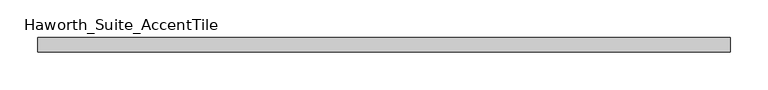
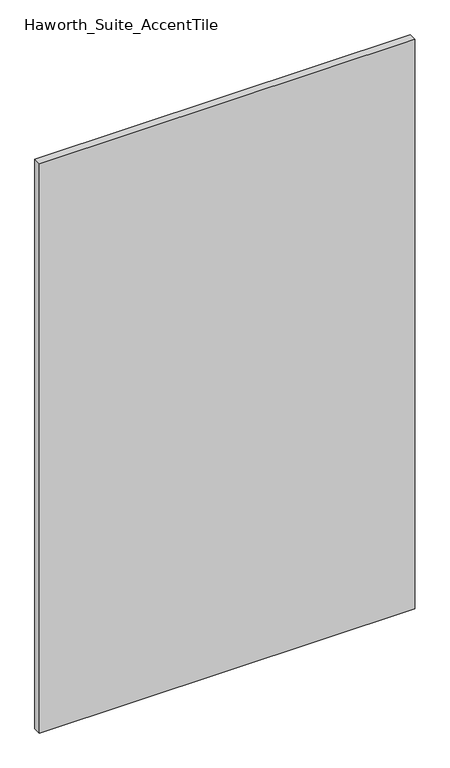
"""IFC4 building model written with IfcOpenShell, lengths in millimetres: furniture geometry, Haworth_Suite_AccentTile."""

import ifcopenshell
import ifcopenshell.guid

model = None  # the IFC model being written
_history = None  # IfcOwnerHistory: only IFC2X3 demands one
_inside = {}  # id of a spatial element -> (the spatial element, [elements in it])
_under = {}  # id of a project, library or spatial element -> (it, [spatial elements below it])
_declared = {}  # id of a project -> (the project, [libraries it declares])
_typed = {}  # id of a type object -> (the type object, [elements of that type])
_made_of = {}  # id of a material, layer set ... -> (it, [elements and type objects made of it])


def new_model(schema):
    """Start an empty IFC model of exactly this schema.

    Asked for "IFC4X3", IfcOpenShell would pick the latest addendum, in which some entities
    have other attributes; the version numbers below select the first issue.
    IFC2X3 requires an IfcOwnerHistory on every rooted entity: one is made here for all.
    """
    global model, _history
    if schema == "IFC4X3":
        model = ifcopenshell.file(schema_version=(4, 3, 0, 0))
    else:
        model = ifcopenshell.file(schema=schema)
    _inside.clear()
    _under.clear()
    _declared.clear()
    _typed.clear()
    _made_of.clear()
    _history = None
    if model.schema == "IFC2X3":
        org = make("IfcOrganization", Name="unknown")
        user = make(
            "IfcPersonAndOrganization",
            ThePerson=make("IfcPerson", FamilyName="unknown"),
            TheOrganization=org,
        )
        app = make(
            "IfcApplication",
            ApplicationDeveloper=org,
            Version="unknown",
            ApplicationFullName="unknown",
            ApplicationIdentifier="unknown",
        )
        _history = make(
            "IfcOwnerHistory",
            OwningUser=user,
            OwningApplication=app,
            ChangeAction="ADDED",
            CreationDate=0,
        )
    return model


def make(cls, **values):
    """One entity of the class cls with the attributes given. An attribute that is None is left unset."""
    return model.create_entity(
        cls, **{name: value for name, value in values.items() if value is not None}
    )


def rooted(cls, **values):
    """An entity with a GlobalId (a new one), such as an element, a storey or a relation."""
    return make(cls, GlobalId=ifcopenshell.guid.new(), OwnerHistory=_history, **values)


def si_unit(unit_type, name, prefix=None):
    """IfcSIUnit, for example si_unit("LENGTHUNIT", "METRE", prefix="MILLI")."""
    return make("IfcSIUnit", UnitType=unit_type, Prefix=prefix, Name=name)


def assignment(units):
    """IfcUnitAssignment: the units of a project."""
    return None if units is None else make("IfcUnitAssignment", Units=units)


def point(xyz):
    """IfcCartesianPoint."""
    return None if xyz is None else make("IfcCartesianPoint", Coordinates=xyz)


def direction(xyz):
    """IfcDirection."""
    return None if xyz is None else make("IfcDirection", DirectionRatios=xyz)


def frame(location, z_axis=None, x_axis=None):
    """IfcAxis2Placement3D, a coordinate frame: its origin and axes. An axis left out is left unset."""
    return make(
        "IfcAxis2Placement3D",
        Location=point(location),
        Axis=direction(z_axis),
        RefDirection=direction(x_axis),
    )


def origin():
    """The frame at (0, 0, 0) with its axes left unset."""
    return frame((0.0, 0.0, 0.0))


def place(relative_to, where):
    """IfcLocalPlacement: puts the frame where relative to a parent placement (None: the world)."""
    return make(
        "IfcLocalPlacement", PlacementRelTo=relative_to, RelativePlacement=where
    )


def context(
    kind, dimensions, precision=None, world=None, true_north=None, identifier=None
):
    """IfcGeometricRepresentationContext, for example the 3D "Model" context."""
    return make(
        "IfcGeometricRepresentationContext",
        ContextIdentifier=identifier,
        ContextType=kind,
        CoordinateSpaceDimension=dimensions,
        Precision=precision,
        WorldCoordinateSystem=world,
        TrueNorth=true_north,
    )


def project(units=None, contexts=None):
    """IfcProject with its units and contexts."""
    return rooted(
        "IfcProject",
        Name="project",
        RepresentationContexts=contexts,
        UnitsInContext=assignment(units),
    )


def spatial(cls, under=None, at=None, **own):
    """A site, building, storey or space (cls), placed at a placement, below another one or the project."""
    s = rooted(cls, ObjectPlacement=at, **own)
    if under is not None:
        _under.setdefault(under.id(), (under, []))[1].append(s)
    return s


def polyline(points):
    """IfcPolyline through the points."""
    return make("IfcPolyline", Points=[point(p) for p in points])


def outline(outer, holes=None, kind="AREA"):
    """IfcArbitraryClosedProfileDef: a profile drawn as a closed curve; with holes, ...WithVoids."""
    if holes is None:
        return make("IfcArbitraryClosedProfileDef", ProfileType=kind, OuterCurve=outer)
    return make(
        "IfcArbitraryProfileDefWithVoids",
        ProfileType=kind,
        OuterCurve=outer,
        InnerCurves=holes,
    )


def extrude(swept, where, along, depth):
    """IfcExtrudedAreaSolid: the profile swept, set in the frame where, extruded along a direction by depth."""
    return make(
        "IfcExtrudedAreaSolid",
        SweptArea=swept,
        Position=where,
        ExtrudedDirection=direction(along),
        Depth=depth,
    )


def shape(context_of_items, identifier, shape_type, items):
    """IfcShapeRepresentation: the items that make up one representation, for example the "Body"."""
    return make(
        "IfcShapeRepresentation",
        ContextOfItems=context_of_items,
        RepresentationIdentifier=identifier,
        RepresentationType=shape_type,
        Items=items,
    )


def source(mapping_origin, context_of_items, identifier, shape_type, items):
    """IfcRepresentationMap: a shape defined once, which mapped items show again and again."""
    return make(
        "IfcRepresentationMap",
        MappingOrigin=mapping_origin,
        MappedRepresentation=shape(context_of_items, identifier, shape_type, items),
    )


def transform(
    local_origin,
    x_axis=None,
    y_axis=None,
    z_axis=None,
    scale=None,
    scale2=None,
    scale3=None,
    uniform=True,
):
    """IfcCartesianTransformationOperator3D, or its non-uniform kind. x_axis, y_axis, z_axis: its Axis1, 2, 3."""
    if uniform:
        return make(
            "IfcCartesianTransformationOperator3D",
            Axis1=direction(x_axis),
            Axis2=direction(y_axis),
            LocalOrigin=point(local_origin),
            Scale=scale,
            Axis3=direction(z_axis),
        )
    return make(
        "IfcCartesianTransformationOperator3DnonUniform",
        Axis1=direction(x_axis),
        Axis2=direction(y_axis),
        LocalOrigin=point(local_origin),
        Scale=scale,
        Axis3=direction(z_axis),
        Scale2=scale2,
        Scale3=scale3,
    )


def mapped(mapping_source, mapping_target):
    """IfcMappedItem: shows the shape of a source again, moved by a transform."""
    return make(
        "IfcMappedItem", MappingSource=mapping_source, MappingTarget=mapping_target
    )


def made_of(thing, what):
    """Note that an element or type object is made of a material, layer set ...; save() writes the relation."""
    if what is not None:
        _made_of.setdefault(what.id(), (what, []))[1].append(thing)
    return thing


def element(
    cls,
    number,
    at=None,
    inside=None,
    cuts=None,
    type_object=None,
    material=None,
    context=None,
    identifier="Body",
    shape_type=None,
    held_by="IfcProductDefinitionShape",
    body=None,
    shapes=None,
    **own,
):
    """One element of the class cls, such as IfcWall. Its Tag is "e" and its number.

    at: its placement. inside: the storey or other place that contains it. cuts: it is an
    opening in that element (IfcRelVoidsElement). A single representation is given by context,
    identifier, shape_type and body (its items); several are given by shapes. held_by: the class
    of the entity that holds the representations. save() writes the other relations.
    """
    e = rooted(cls, Tag="e%d" % number, ObjectPlacement=at, **own)
    if body is not None:
        shapes = [shape(context, identifier, shape_type, body)]
    if shapes is not None:
        e.Representation = make(held_by, Representations=shapes)
    if inside is not None:
        _inside.setdefault(inside.id(), (inside, []))[1].append(e)
    if cuts is not None:
        rooted(
            "IfcRelVoidsElement", RelatingBuildingElement=cuts, RelatedOpeningElement=e
        )
    if type_object is not None:
        _typed.setdefault(type_object.id(), (type_object, []))[1].append(e)
    return made_of(e, material)


def aggregate(whole, parts):
    """IfcRelAggregates: a whole, such as a stair, and the parts it consists of."""
    return rooted("IfcRelAggregates", RelatingObject=whole, RelatedObjects=parts)


def save(model, path):
    """Write the relations noted so far, then the file.

    IfcRelAggregates (storeys below a building ...), IfcRelContainedInSpatialStructure (elements
    in a storey), IfcRelDefinesByType, IfcRelAssociatesMaterial and IfcRelDeclares: one each for
    every whole, place, type object, material and project.
    """
    for whole, parts in _under.values():
        aggregate(whole, parts)
    for where, things in _inside.values():
        rooted(
            "IfcRelContainedInSpatialStructure",
            RelatedElements=things,
            RelatingStructure=where,
        )
    for kind, things in _typed.values():
        rooted("IfcRelDefinesByType", RelatedObjects=things, RelatingType=kind)
    for what, things in _made_of.values():
        rooted("IfcRelAssociatesMaterial", RelatedObjects=things, RelatingMaterial=what)
    for by, libraries in _declared.values():
        rooted("IfcRelDeclares", RelatingContext=by, RelatedDefinitions=libraries)
    model.write(path)


def haworth_suite_accenttile_2116b1b4(model_context):
    return source(origin(), model_context, "Body", "SweptSolid", [
        extrude(outline(polyline([(444.5, -12.7), (444.5, -31.75), (-469.9, -31.75), (-469.9, -12.7), (444.5, -12.7)])), frame((0.0, 0.0, 590.55), z_axis=(0.0, 0.0, 1.0), x_axis=(1.0, 0.0, 0.0)), (0.0, 0.0, 1.0), 1466.85),
    ])


if __name__ == "__main__":
    model = new_model("IFC4")
    model_context = context("Model", 3, world=origin())
    ifc_project = project(units=[si_unit("LENGTHUNIT", "METRE", prefix="MILLI")], contexts=[model_context])
    site = spatial("IfcSite", under=ifc_project)
    building = spatial("IfcBuilding", under=site)
    placement = place(None, origin())
    haworth_suite_accenttile_shape = haworth_suite_accenttile_2116b1b4(model_context)
    element("IfcFurniture", 1, ObjectType="Haworth_Suite_AccentTile", at=placement, inside=building, context=model_context, shape_type="MappedRepresentation", body=[
        mapped(haworth_suite_accenttile_shape, transform((0.0, 0.0, 0.0), x_axis=(1.0, 0.0, 0.0), y_axis=(0.0, 1.0, 0.0), z_axis=(0.0, 0.0, 1.0))),
    ])
    save(model, "model.ifc")
